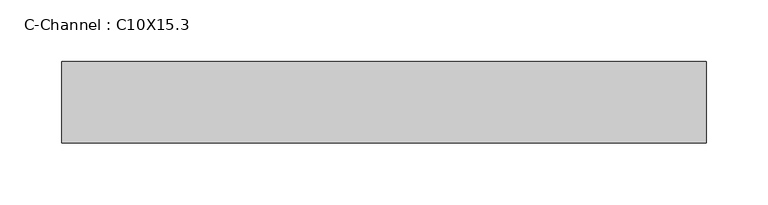
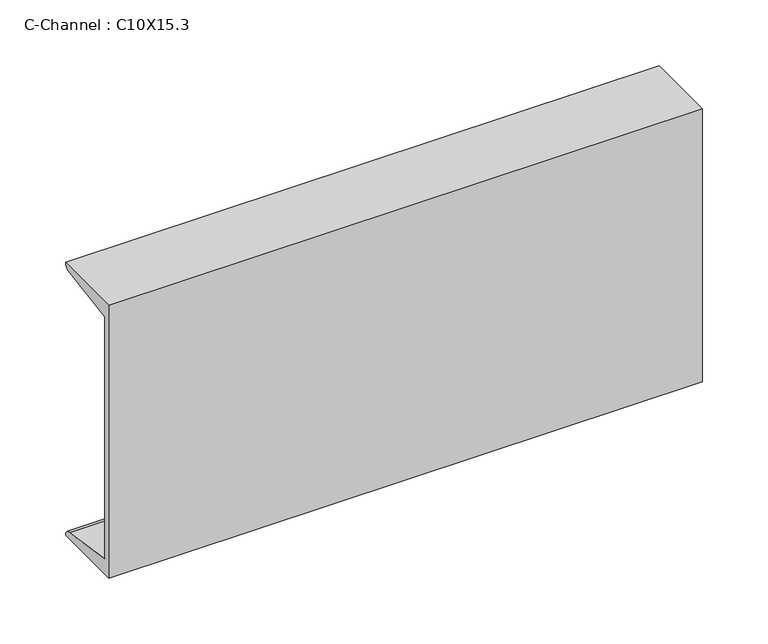
"""IFC4 building model written with IfcOpenShell, lengths in millimetres: beam geometry, C-Channel : C10X15.3."""

from ifc_helpers import new_model, si_unit, point, frame, frame_2d, origin, place, context, project, spatial, polyline, circle_curve, trimmed, segment, composite_curve, outline, extrude, source, transform, mapped, element, save


def c_channel_c10x15_3_cc908bd2(model_context):
    return source(origin(), model_context, "Body", "SweptSolid", [
        extrude(outline(composite_curve([segment(polyline([(-14.0716, 127.0), (52.0080875, 127.0)]), True, "CONTINUOUS"), segment(trimmed(circle_curve(frame_2d((45.9557438, 127.0)), 6.0523438), [point((52.0080875, 127.0))], [point((45.9557438, 120.9476562))], False, "CARTESIAN"), True, "CONTINUOUS"), segment(polyline([(45.9557438, 120.9476562), (-8.0192562, 112.3988561), (-8.0192562, -112.3988561), (45.9557438, -120.9476563)]), True, "CONTINUOUS"), segment(trimmed(circle_curve(frame_2d((45.9557438, -127.0)), 6.0523437), [point((45.9557438, -120.9476563))], [point((52.0080875, -127.0))], False, "CARTESIAN"), True, "CONTINUOUS"), segment(polyline([(52.0080875, -127.0), (-14.0716, -127.0), (-14.0716, 127.0)]), True, "CONTINUOUS")], self_intersect=False)), frame((-261.0941406, 0.0, 0.0), z_axis=(1.0, 0.0, 0.0), x_axis=(0.0, 1.0, 0.0)), (0.0, 0.0, 1.0), 522.1882813),
    ])


if __name__ == "__main__":
    model = new_model("IFC4")
    model_context = context("Model", 3, world=origin())
    ifc_project = project(units=[si_unit("LENGTHUNIT", "METRE", prefix="MILLI")], contexts=[model_context])
    site = spatial("IfcSite", under=ifc_project)
    building = spatial("IfcBuilding", under=site)
    placement = place(None, origin())
    c_channel_c10x15_3_shape = c_channel_c10x15_3_cc908bd2(model_context)
    element("IfcBeam", 1, ObjectType="C-Channel : C10X15.3", at=placement, inside=building, context=model_context, shape_type="MappedRepresentation", body=[
        mapped(c_channel_c10x15_3_shape, transform((0.0, 0.0, 0.0), x_axis=(1.0, 0.0, 0.0), y_axis=(0.0, 1.0, 0.0), z_axis=(0.0, 0.0, 1.0))),
    ])
    save(model, "model.ifc")
